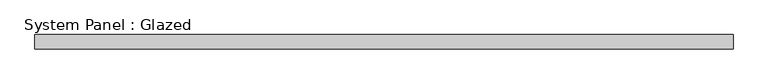
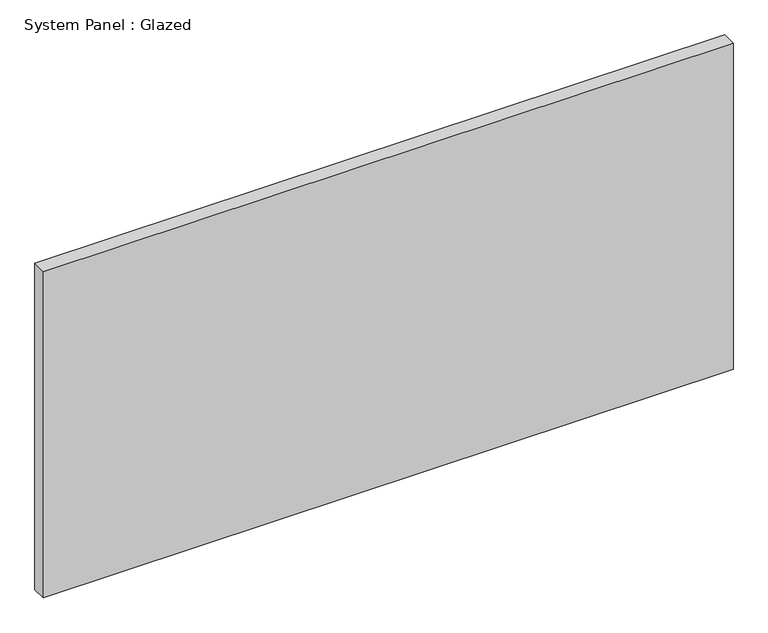
"""IFC4 building model written with IfcOpenShell, lengths in millimetres: plate geometry, System Panel : Glazed."""

from ifc_helpers import new_model, si_unit, origin, origin_with_axes, place, context, project, spatial, polyline, outline, extrude, source, transform, mapped, element, save


def system_panel_glazed_d3f18fbf(model_context):
    return source(origin(), model_context, "Body", "SweptSolid", [
        extrude(outline(polyline([(609.6, 19.05), (-609.6, 19.05), (-609.6, 44.45), (609.6, 44.45), (609.6, 19.05)])), origin_with_axes(), (0.0, 0.0, 1.0), 609.6),
    ])


if __name__ == "__main__":
    model = new_model("IFC4")
    model_context = context("Model", 3, world=origin())
    ifc_project = project(units=[si_unit("LENGTHUNIT", "METRE", prefix="MILLI")], contexts=[model_context])
    site = spatial("IfcSite", under=ifc_project)
    building = spatial("IfcBuilding", under=site)
    placement = place(None, origin())
    system_panel_glazed_shape = system_panel_glazed_d3f18fbf(model_context)
    element("IfcPlate", 1, ObjectType="System Panel : Glazed", at=placement, inside=building, context=model_context, shape_type="MappedRepresentation", body=[
        mapped(system_panel_glazed_shape, transform((0.0, 0.0, 0.0), x_axis=(1.0, 0.0, 0.0), y_axis=(0.0, 1.0, 0.0), z_axis=(0.0, 0.0, 1.0))),
    ])
    save(model, "model.ifc")
